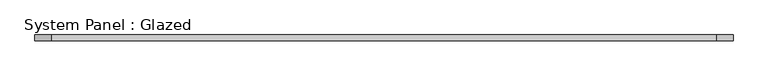
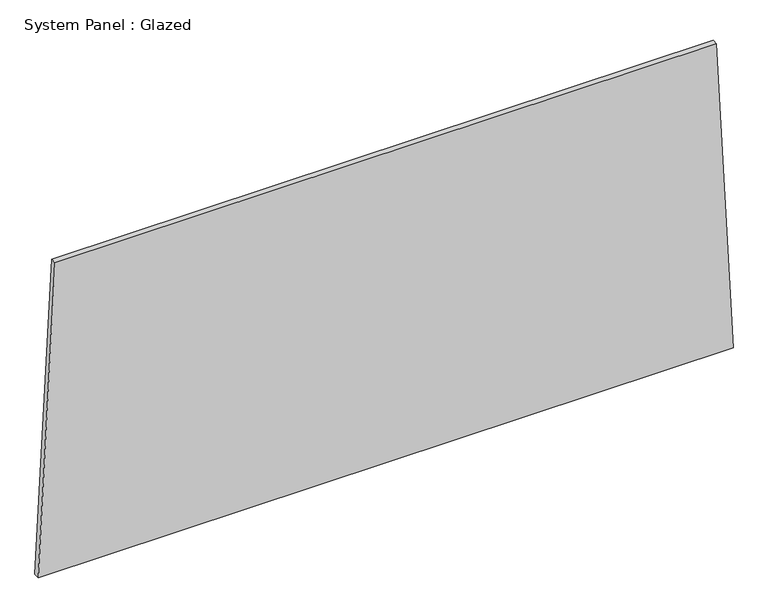
"""IFC4 building model written with IfcOpenShell, lengths in millimetres: plate geometry, System Panel : Glazed."""

from ifc_helpers import new_model, si_unit, frame, origin, place, context, project, spatial, polyline, outline, extrude, source, transform, mapped, element, save


def system_panel_glazed_390db222(model_context):
    return source(origin(), model_context, "Body", "SweptSolid", [
        extrude(outline(polyline([(0.0, -1538.0395769), (0.0, 1538.0395769), (1448.0299819, 1463.7403433), (1448.0290713, -1463.7387213), (0.0, -1538.0395769)])), frame((0.0, -49.5, 0.0), z_axis=(0.0, 1.0, 0.0), x_axis=(0.0, 0.0, 1.0)), (0.0, 0.0, 1.0), 25.0),
    ])


if __name__ == "__main__":
    model = new_model("IFC4")
    model_context = context("Model", 3, world=origin())
    ifc_project = project(units=[si_unit("LENGTHUNIT", "METRE", prefix="MILLI")], contexts=[model_context])
    site = spatial("IfcSite", under=ifc_project)
    building = spatial("IfcBuilding", under=site)
    placement = place(None, origin())
    system_panel_glazed_shape = system_panel_glazed_390db222(model_context)
    element("IfcPlate", 1, ObjectType="System Panel : Glazed", at=placement, inside=building, context=model_context, shape_type="MappedRepresentation", body=[
        mapped(system_panel_glazed_shape, transform((0.0, 0.0, 0.0), x_axis=(1.0, 0.0, 0.0), y_axis=(0.0, 1.0, 0.0), z_axis=(0.0, 0.0, 1.0))),
    ])
    save(model, "model.ifc")
